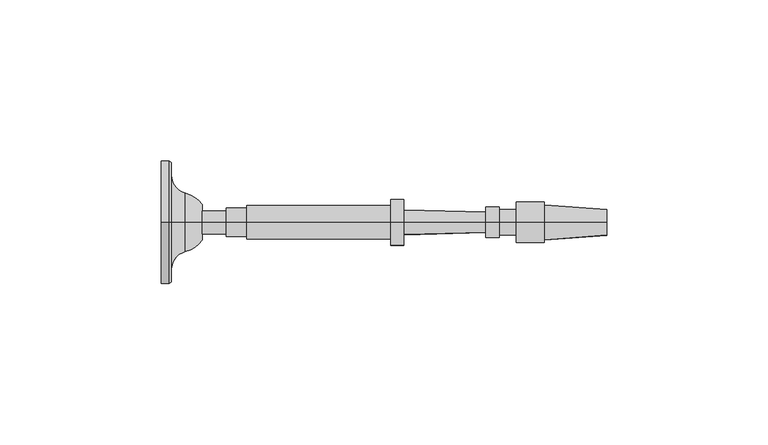
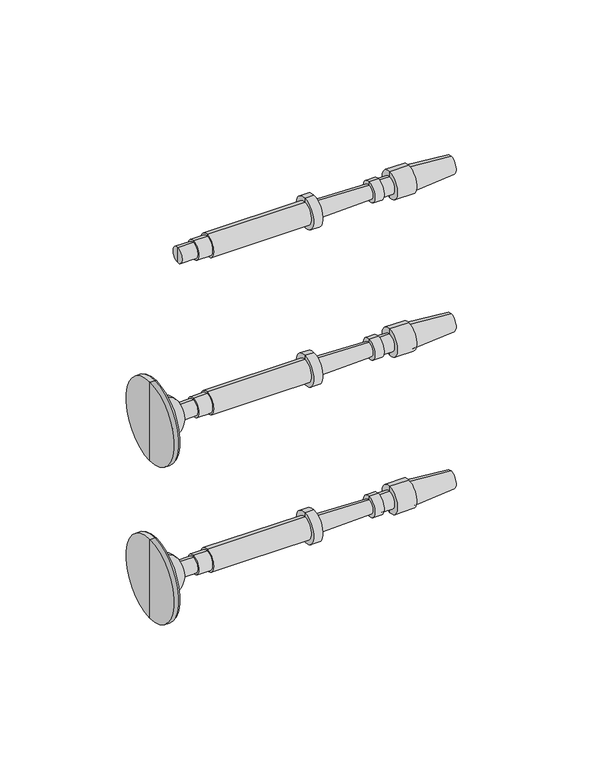
"""IFC4 building model written with IfcOpenShell, lengths in millimetres: railing geometry."""

from ifc_helpers import new_model, si_unit, point, frame, origin, place, context, project, spatial, polyline, circle_curve, ellipse_curve, trimmed, source, transform, mapped, element, save
from ifc_brep_helpers import plane_surface, cylinder_surface, revolved_surface, advanced_brep


def railing_faee88ab(model_context):
    return source(origin(), model_context, "Body", "AdvancedBrep", [
        advanced_brep(
        [(1822.6288256, 16706.2866843, 33140.0282881), (1822.6288256, 16706.2866843, 33147.1720381), (1822.6288256, 16706.2866843, 33143.6001631), (1947.5727148, 16706.2866843, 33143.6001631), (1947.8683792, 16706.2866843, 33147.6246235), (1947.8683792, 16706.2866843, 33139.5757028), (1928.5250152, 16706.2866843, 33149.045719), (1928.5250152, 16706.2866843, 33138.1546072), (1928.5250152, 16706.2866843, 33149.9386877), (1928.5250152, 16706.2866843, 33137.2616385), (1919.892984, 16706.2866843, 33149.9386877), (1919.892984, 16706.2866843, 33137.2616385), (1919.892984, 16706.2866843, 33147.5574377), (1919.892984, 16706.2866843, 33139.6428885), (1914.5351715, 16706.2866843, 33147.5574377), (1914.5351715, 16706.2866843, 33139.6428885), (1914.5351715, 16706.2866843, 33148.3511877), (1914.5351715, 16706.2866843, 33138.8491385), (1910.4672027, 16706.2866843, 33148.3511877), (1910.4672027, 16706.2866843, 33138.8491385), (1910.4231156, 16706.2866843, 33146.7643), (1910.4231156, 16706.2866843, 33140.4360262), (1885.0329124, 16706.2866843, 33147.4696944), (1885.0329124, 16706.2866843, 33139.7306319), (1885.0329124, 16706.2866843, 33150.7439131), (1885.0329124, 16706.2866843, 33136.4564131), (1881.0641624, 16706.2866843, 33150.7439131), (1881.0641624, 16706.2866843, 33136.4564131), (1881.0641624, 16706.2866843, 33148.7595381), (1881.0641624, 16706.2866843, 33138.4407881), (1836.3165061, 16706.2866843, 33148.7595381), (1836.3165061, 16706.2866843, 33138.4407881), (1836.3165061, 16706.2866843, 33147.9657881), (1836.3165061, 16706.2866843, 33139.2345381), (1829.9665061, 16706.2866843, 33147.9657881), (1829.9665061, 16706.2866843, 33139.2345381), (1829.9665061, 16706.2866843, 33147.1720381), (1829.9665061, 16706.2866843, 33140.0282881)],
        [
            (0, 1, circle_curve(frame((1822.6288256, 16706.2866843, 33143.6001631), z_axis=(-1.0, 0.0, 0.0), x_axis=(0.0, 0.0, 1.0000000000000002)), 3.571875)),
            (1, 2),
            (2, 0),
            (1, 0, circle_curve(frame((1822.6288256, 16706.2866843, 33143.6001631), z_axis=(-1.0, 0.0, 0.0), x_axis=(0.0, 0.0, 1.0000000000000002)), 3.571875)),
            (3, 4),
            (4, 5, circle_curve(frame((1947.8683792, 16706.2866843, 33143.6001631), z_axis=(1.0, 0.0, 0.0), x_axis=(0.0, 0.0, 1.0000000000000002)), 4.0244604)),
            (5, 3),
            (5, 4, circle_curve(frame((1947.8683792, 16706.2866843, 33143.6001631), z_axis=(1.0, 0.0, 0.0), x_axis=(0.0, 0.0, 1.0000000000000002)), 4.0244604)),
            (4, 6),
            (6, 7, circle_curve(frame((1928.5250152, 16706.2866843, 33143.6001631), z_axis=(1.0, 0.0, 0.0), x_axis=(0.0, 0.0, 1.0000000000000002)), 5.4455559)),
            (7, 5),
            (7, 6, circle_curve(frame((1928.5250152, 16706.2866843, 33143.6001631), z_axis=(1.0, 0.0, 0.0), x_axis=(0.0, 0.0, 1.0000000000000002)), 5.4455559)),
            (6, 8),
            (8, 9, circle_curve(frame((1928.5250152, 16706.2866843, 33143.6001631), z_axis=(1.0, 0.0, 0.0), x_axis=(0.0, 0.0, 1.0000000000000002)), 6.3385246)),
            (9, 7),
            (9, 8, circle_curve(frame((1928.5250152, 16706.2866843, 33143.6001631), z_axis=(1.0, 0.0, 0.0), x_axis=(0.0, 0.0, 1.0000000000000002)), 6.3385246)),
            (8, 10),
            (10, 11, circle_curve(frame((1919.892984, 16706.2866843, 33143.6001631), z_axis=(1.0, 0.0, 0.0), x_axis=(0.0, 0.0, 1.0000000000000002)), 6.3385246)),
            (11, 9),
            (11, 10, circle_curve(frame((1919.892984, 16706.2866843, 33143.6001631), z_axis=(1.0, 0.0, 0.0), x_axis=(0.0, 0.0, 1.0000000000000002)), 6.3385246)),
            (10, 12),
            (12, 13, circle_curve(frame((1919.892984, 16706.2866843, 33143.6001631), z_axis=(1.0, 0.0, 0.0), x_axis=(0.0, 0.0, 1.0000000000000002)), 3.9572746)),
            (13, 11),
            (13, 12, circle_curve(frame((1919.892984, 16706.2866843, 33143.6001631), z_axis=(1.0, 0.0, 0.0), x_axis=(0.0, 0.0, 1.0000000000000002)), 3.9572746)),
            (12, 14),
            (14, 15, circle_curve(frame((1914.5351715, 16706.2866843, 33143.6001631), z_axis=(1.0, 0.0, 0.0), x_axis=(0.0, 0.0, 1.0000000000000002)), 3.9572746)),
            (15, 13),
            (15, 14, circle_curve(frame((1914.5351715, 16706.2866843, 33143.6001631), z_axis=(1.0, 0.0, 0.0), x_axis=(0.0, 0.0, 1.0000000000000002)), 3.9572746)),
            (14, 16),
            (16, 17, circle_curve(frame((1914.5351715, 16706.2866843, 33143.6001631), z_axis=(1.0, 0.0, 0.0), x_axis=(0.0, 0.0, 1.0000000000000002)), 4.7510246)),
            (17, 15),
            (17, 16, circle_curve(frame((1914.5351715, 16706.2866843, 33143.6001631), z_axis=(1.0, 0.0, 0.0), x_axis=(0.0, 0.0, 1.0000000000000002)), 4.7510246)),
            (16, 18),
            (18, 19, circle_curve(frame((1910.4672027, 16706.2866843, 33143.6001631), z_axis=(1.0, 0.0, 0.0), x_axis=(0.0, 0.0, 1.0000000000000002)), 4.7510246)),
            (19, 17),
            (19, 18, circle_curve(frame((1910.4672027, 16706.2866843, 33143.6001631), z_axis=(1.0, 0.0, 0.0), x_axis=(0.0, 0.0, 1.0000000000000002)), 4.7510246)),
            (18, 20),
            (20, 21, circle_curve(frame((1910.4231156, 16706.2866843, 33143.6001631), z_axis=(1.0, 0.0, 0.0), x_axis=(0.0, 0.0, 1.0000000000000002)), 3.1641369)),
            (21, 19),
            (21, 20, circle_curve(frame((1910.4231156, 16706.2866843, 33143.6001631), z_axis=(1.0, 0.0, 0.0), x_axis=(0.0, 0.0, 1.0000000000000002)), 3.1641369)),
            (20, 22),
            (22, 23, circle_curve(frame((1885.0329124, 16706.2866843, 33143.6001631), z_axis=(1.0, 0.0, 0.0), x_axis=(0.0, 0.0, 1.0000000000000002)), 3.8695313)),
            (23, 21),
            (23, 22, circle_curve(frame((1885.0329124, 16706.2866843, 33143.6001631), z_axis=(1.0, 0.0, 0.0), x_axis=(0.0, 0.0, 1.0000000000000002)), 3.8695313)),
            (22, 24),
            (24, 25, circle_curve(frame((1885.0329124, 16706.2866843, 33143.6001631), z_axis=(1.0, 0.0, 0.0), x_axis=(0.0, 0.0, 1.0000000000000002)), 7.14375)),
            (25, 23),
            (25, 24, circle_curve(frame((1885.0329124, 16706.2866843, 33143.6001631), z_axis=(1.0, 0.0, 0.0), x_axis=(0.0, 0.0, 1.0000000000000002)), 7.14375)),
            (24, 26),
            (26, 27, circle_curve(frame((1881.0641624, 16706.2866843, 33143.6001631), z_axis=(1.0, 0.0, 0.0), x_axis=(0.0, 0.0, 1.0000000000000002)), 7.14375)),
            (27, 25),
            (27, 26, circle_curve(frame((1881.0641624, 16706.2866843, 33143.6001631), z_axis=(1.0, 0.0, 0.0), x_axis=(0.0, 0.0, 1.0000000000000002)), 7.14375)),
            (26, 28),
            (28, 29, circle_curve(frame((1881.0641624, 16706.2866843, 33143.6001631), z_axis=(1.0, 0.0, 0.0), x_axis=(0.0, 0.0, 1.0000000000000002)), 5.159375)),
            (29, 27),
            (29, 28, circle_curve(frame((1881.0641624, 16706.2866843, 33143.6001631), z_axis=(1.0, 0.0, 0.0), x_axis=(0.0, 0.0, 1.0000000000000002)), 5.159375)),
            (28, 30),
            (30, 31, circle_curve(frame((1836.3165061, 16706.2866843, 33143.6001631), z_axis=(1.0, 0.0, 0.0), x_axis=(0.0, 0.0, 1.0000000000000002)), 5.159375)),
            (31, 29),
            (31, 30, circle_curve(frame((1836.3165061, 16706.2866843, 33143.6001631), z_axis=(1.0, 0.0, 0.0), x_axis=(0.0, 0.0, 1.0000000000000002)), 5.159375)),
            (30, 32),
            (32, 33, circle_curve(frame((1836.3165061, 16706.2866843, 33143.6001631), z_axis=(1.0, 0.0, 0.0), x_axis=(0.0, 0.0, 1.0000000000000002)), 4.365625)),
            (33, 31),
            (33, 32, circle_curve(frame((1836.3165061, 16706.2866843, 33143.6001631), z_axis=(1.0, 0.0, 0.0), x_axis=(0.0, 0.0, 1.0000000000000002)), 4.365625)),
            (32, 34),
            (34, 35, circle_curve(frame((1829.9665061, 16706.2866843, 33143.6001631), z_axis=(1.0, 0.0, 0.0), x_axis=(0.0, 0.0, 1.0000000000000002)), 4.365625)),
            (35, 33),
            (35, 34, circle_curve(frame((1829.9665061, 16706.2866843, 33143.6001631), z_axis=(1.0, 0.0, 0.0), x_axis=(0.0, 0.0, 1.0000000000000002)), 4.365625)),
            (34, 36),
            (36, 37, circle_curve(frame((1829.9665061, 16706.2866843, 33143.6001631), z_axis=(1.0, 0.0, 0.0), x_axis=(0.0, 0.0, 1.0000000000000002)), 3.571875)),
            (37, 35),
            (37, 36, circle_curve(frame((1829.9665061, 16706.2866843, 33143.6001631), z_axis=(1.0, 0.0, 0.0), x_axis=(0.0, 0.0, 1.0000000000000002)), 3.571875)),
            (36, 1),
            (0, 37),
        ],
        [
            plane_surface(frame((1822.6288256, 16706.2866843, 33143.6001631), z_axis=(-1.0, 0.0, 0.0), x_axis=(0.0, 0.0, 1.0))),
            revolved_surface(polyline([(1947.8683792, 16706.2866843, 33147.6246235), (1947.5727148, 16706.2866843, 33143.6001631)]), (1947.5727148, 16706.2866843, 33143.6001631), (1.0, 0.0, 0.0)),
            revolved_surface(polyline([(1928.5250152, 16706.2866843, 33149.045719), (1947.8683792, 16706.2866843, 33147.6246235)]), (1947.5727148, 16706.2866843, 33143.6001631), (1.0, 0.0, 0.0)),
            plane_surface(frame((1928.5250152, 16706.2866843, 33143.6001631), z_axis=(1.0, 0.0, 0.0), x_axis=(0.0, 0.0, 1.0))),
            cylinder_surface(frame((1947.5727148, 16706.2866843, 33143.6001631), z_axis=(1.0, 0.0, 0.0), x_axis=(0.0, 0.0, 1.0000000000000002)), 6.3385246),
            plane_surface(frame((1919.892984, 16706.2866843, 33143.6001631), z_axis=(-1.0, 0.0, 0.0), x_axis=(0.0, 0.0, 1.0))),
            cylinder_surface(frame((1947.5727148, 16706.2866843, 33143.6001631), z_axis=(1.0, 0.0, 0.0), x_axis=(0.0, 0.0, 1.0000000000000002)), 3.9572746),
            plane_surface(frame((1914.5351715, 16706.2866843, 33143.6001631), z_axis=(1.0, 0.0, 0.0), x_axis=(0.0, 0.0, 1.0))),
            cylinder_surface(frame((1947.5727148, 16706.2866843, 33143.6001631), z_axis=(1.0, 0.0, 0.0), x_axis=(0.0, 0.0, 1.0000000000000002)), 4.7510246),
            plane_surface(frame((1910.4231156, 16706.2866843, 33143.6001631), z_axis=(-1.0, 0.0, 0.0), x_axis=(0.0, 0.0, 1.0))),
            revolved_surface(polyline([(1885.0329124, 16706.2866843, 33147.4696944), (1910.4231156, 16706.2866843, 33146.7643)]), (1947.5727148, 16706.2866843, 33143.6001631), (1.0, 0.0, 0.0)),
            plane_surface(frame((1885.0329124, 16706.2866843, 33143.6001631), z_axis=(1.0, 0.0, 0.0), x_axis=(0.0, 0.0, 1.0))),
            cylinder_surface(frame((1947.5727148, 16706.2866843, 33143.6001631), z_axis=(1.0, 0.0, 0.0), x_axis=(0.0, 0.0, 1.0000000000000002)), 7.14375),
            plane_surface(frame((1881.0641624, 16706.2866843, 33143.6001631), z_axis=(-1.0, 0.0, 0.0), x_axis=(0.0, 0.0, 1.0))),
            cylinder_surface(frame((1947.5727148, 16706.2866843, 33143.6001631), z_axis=(1.0, 0.0, 0.0), x_axis=(0.0, 0.0, 1.0000000000000002)), 5.159375),
            plane_surface(frame((1836.3165061, 16706.2866843, 33143.6001631), z_axis=(-1.0, 0.0, 0.0), x_axis=(0.0, 0.0, 1.0))),
            cylinder_surface(frame((1947.5727148, 16706.2866843, 33143.6001631), z_axis=(1.0, 0.0, 0.0), x_axis=(0.0, 0.0, 1.0000000000000002)), 4.365625),
            plane_surface(frame((1829.9665061, 16706.2866843, 33143.6001631), z_axis=(-1.0, 0.0, 0.0), x_axis=(0.0, 0.0, 1.0))),
            cylinder_surface(frame((1947.5727148, 16706.2866843, 33143.6001631), z_axis=(1.0, 0.0, 0.0), x_axis=(0.0, 0.0, 1.0000000000000002)), 3.571875),
        ],
        [
            (0, [[1, 2, 3]]),
            (0, [[4, -3, -2]]),
            (1, [[5, 6, 7]]),
            (1, [[-7, 8, -5]]),
            (2, [[-6, 9, 10, 11]]),
            (2, [[-8, -11, 12, -9]]),
            (3, [[-10, 13, 14, 15]]),
            (3, [[-12, -15, 16, -13]]),
            (4, [[-14, 17, 18, 19]]),
            (4, [[-16, -19, 20, -17]]),
            (5, [[-18, 21, 22, 23]]),
            (5, [[-20, -23, 24, -21]]),
            (6, [[-22, 25, 26, 27]]),
            (6, [[-24, -27, 28, -25]]),
            (7, [[-26, 29, 30, 31]]),
            (7, [[-28, -31, 32, -29]]),
            (8, [[-30, 33, 34, 35]]),
            (8, [[-32, -35, 36, -33]]),
            (9, [[-34, 37, 38, 39]]),
            (9, [[-36, -39, 40, -37]]),
            (10, [[-38, 41, 42, 43]]),
            (10, [[-40, -43, 44, -41]]),
            (11, [[-42, 45, 46, 47]]),
            (11, [[-44, -47, 48, -45]]),
            (12, [[-46, 49, 50, 51]]),
            (12, [[-48, -51, 52, -49]]),
            (13, [[-50, 53, 54, 55]]),
            (13, [[-52, -55, 56, -53]]),
            (14, [[-54, 57, 58, 59]]),
            (14, [[-56, -59, 60, -57]]),
            (15, [[-58, 61, 62, 63]]),
            (15, [[-60, -63, 64, -61]]),
            (16, [[-62, 65, 66, 67]]),
            (16, [[-64, -67, 68, -65]]),
            (17, [[-66, 69, 70, 71]]),
            (17, [[-68, -71, 72, -69]]),
            (18, [[-70, 73, -1, 74]]),
            (18, [[-72, -74, -4, -73]]),
        ],
    ),
        advanced_brep(
        [(1809.936189, 16706.2866843, 33067.4001631), (1809.936189, 16706.2866843, 33048.3501631), (1809.936189, 16706.2866843, 33086.4501631), (1822.6288256, 16706.2866843, 33061.8769785), (1822.6288256, 16706.2866843, 33067.4001631), (1822.6288256, 16706.2866843, 33072.9233478), (1817.3527292, 16706.2866843, 33058.2720381), (1817.3527292, 16706.2866843, 33076.5282881), (1812.9871042, 16706.2866843, 33052.6458254), (1812.9871042, 16706.2866843, 33082.1545009), (1812.9871042, 16706.2866843, 33048.7762941), (1812.9871042, 16706.2866843, 33086.0240321), (1812.317439, 16706.2866843, 33048.3501631), (1812.317439, 16706.2866843, 33086.4501631)],
        [
            (0, 1),
            (1, 2, circle_curve(frame((1809.936189, 16706.2866843, 33067.4001631), z_axis=(-1.0, 0.0, 0.0), x_axis=(0.0, 0.0, 1.0)), 19.05)),
            (2, 0),
            (2, 1, circle_curve(frame((1809.936189, 16706.2866843, 33067.4001631), z_axis=(-1.0, 0.0, 0.0), x_axis=(0.0, 0.0, 1.0)), 19.05)),
            (3, 4),
            (4, 5),
            (5, 3, circle_curve(frame((1822.6288256, 16706.2866843, 33067.4001631), z_axis=(1.0, 0.0, 0.0), x_axis=(0.0, 0.0, 1.0)), 5.5231846)),
            (3, 5, circle_curve(frame((1822.6288256, 16706.2866843, 33067.4001631), z_axis=(1.0, 0.0, 0.0), x_axis=(0.0, 0.0, 1.0)), 5.5231846)),
            (6, 3, circle_curve(frame((1815.0283205, 16706.2866843, 33067.3374304), z_axis=(0.0, -1.0, 0.0), x_axis=(1.0, 0.0, 0.0)), 9.3586438)),
            (5, 7, circle_curve(frame((1815.0283205, 16706.2866843, 33067.4628958), z_axis=(0.0, -1.0, 0.0), x_axis=(1.0, 0.0, 0.0)), 9.3586438)),
            (7, 6, circle_curve(frame((1817.3527292, 16706.2866843, 33067.4001631), z_axis=(1.0, 0.0, 0.0), x_axis=(0.0, 0.0, 1.0)), 9.128125)),
            (6, 7, circle_curve(frame((1817.3527292, 16706.2866843, 33067.4001631), z_axis=(1.0, 0.0, 0.0), x_axis=(0.0, 0.0, 1.0)), 9.128125)),
            (8, 6, circle_curve(frame((1818.7953162, 16706.2866843, 33052.6458254), z_axis=(0.0, 1.0, 0.0), x_axis=(1.0, 0.0, 0.0)), 5.8082121)),
            (7, 9, circle_curve(frame((1818.7953162, 16706.2866843, 33082.1545009), z_axis=(0.0, 1.0, 0.0), x_axis=(1.0, 0.0, 0.0)), 5.8082121)),
            (9, 8, circle_curve(frame((1812.9871042, 16706.2866843, 33067.4001631), z_axis=(1.0, 0.0, 0.0), x_axis=(0.0, 0.0, 1.0)), 14.7543378)),
            (8, 9, circle_curve(frame((1812.9871042, 16706.2866843, 33067.4001631), z_axis=(1.0, 0.0, 0.0), x_axis=(0.0, 0.0, 1.0)), 14.7543378)),
            (10, 8),
            (9, 11),
            (11, 10, circle_curve(frame((1812.9871042, 16706.2866843, 33067.4001631), z_axis=(1.0, 0.0, 0.0), x_axis=(0.0, 0.0, 1.0)), 18.623869)),
            (10, 11, circle_curve(frame((1812.9871042, 16706.2866843, 33067.4001631), z_axis=(1.0, 0.0, 0.0), x_axis=(0.0, 0.0, 1.0)), 18.623869)),
            (12, 10),
            (11, 13),
            (13, 12, circle_curve(frame((1812.317439, 16706.2866843, 33067.4001631), z_axis=(1.0, 0.0, 0.0), x_axis=(0.0, 0.0, 1.0)), 19.05)),
            (12, 13, circle_curve(frame((1812.317439, 16706.2866843, 33067.4001631), z_axis=(1.0, 0.0, 0.0), x_axis=(0.0, 0.0, 1.0)), 19.05)),
            (1, 12),
            (13, 2),
        ],
        [
            plane_surface(frame((1809.936189, 16706.2866843, 33067.4001631), z_axis=(-1.0, 0.0, 0.0), x_axis=(0.0, 0.0, 1.0))),
            plane_surface(frame((1822.6288256, 16706.2866843, 33067.4001631), z_axis=(1.0, 0.0, 0.0), x_axis=(0.0, 0.0, 1.0))),
            revolved_surface(trimmed(ellipse_curve(frame((1815.0283205, 16706.2866843, 33067.4628958), z_axis=(0.0, -1.0, 0.0), x_axis=(1.0, 0.0, 0.0)), 9.3586438, 9.3586438), [point((1822.6288256, 16706.2866843, 33072.9233478))], [point((1817.3527292, 16706.2866843, 33076.5282881))], True, "CARTESIAN"), (1809.936189, 16706.2866843, 33067.4001631), (-1.0, 0.0, 0.0)),
            revolved_surface(trimmed(ellipse_curve(frame((1818.7953162, 16706.2866843, 33082.1545009), z_axis=(0.0, 1.0, 0.0), x_axis=(1.0, 0.0, 0.0)), 5.8082121, 5.8082121), [point((1817.3527292, 16706.2866843, 33076.5282881))], [point((1812.9871042, 16706.2866843, 33082.1545009))], True, "CARTESIAN"), (1809.936189, 16706.2866843, 33067.4001631), (-1.0, 0.0, 0.0)),
            plane_surface(frame((1812.9871042, 16706.2866843, 33067.4001631), z_axis=(1.0, 0.0, 0.0), x_axis=(0.0, 0.0, 1.0))),
            revolved_surface(polyline([(1812.9871042, 16706.2866843, 33086.0240321), (1812.317439, 16706.2866843, 33086.4501631)]), (1809.936189, 16706.2866843, 33067.4001631), (-1.0, 0.0, 0.0)),
            cylinder_surface(frame((1809.936189, 16706.2866843, 33067.4001631), z_axis=(-1.0, 0.0, 0.0), x_axis=(0.0, 0.0, 1.0)), 19.05),
        ],
        [
            (0, [[1, 2, 3]]),
            (0, [[-3, 4, -1]]),
            (1, [[5, 6, 7]]),
            (1, [[-6, -5, 8]]),
            (2, [[9, -7, 10, 11]]),
            (2, [[-10, -8, -9, 12]]),
            (3, [[13, -11, 14, 15]]),
            (3, [[-14, -12, -13, 16]]),
            (4, [[17, -15, 18, 19]]),
            (4, [[-18, -16, -17, 20]]),
            (5, [[21, -19, 22, 23]]),
            (5, [[-22, -20, -21, 24]]),
            (6, [[25, -23, 26, -2]]),
            (6, [[-26, -24, -25, -4]]),
        ],
    ),
        advanced_brep(
        [(1822.6288256, 16706.2866843, 33063.8282881), (1822.6288256, 16706.2866843, 33070.9720381), (1822.6288256, 16706.2866843, 33067.4001631), (1947.5727148, 16706.2866843, 33067.4001631), (1947.8683792, 16706.2866843, 33071.4246235), (1947.8683792, 16706.2866843, 33063.3757028), (1928.5250152, 16706.2866843, 33072.845719), (1928.5250152, 16706.2866843, 33061.9546072), (1928.5250152, 16706.2866843, 33073.7386877), (1928.5250152, 16706.2866843, 33061.0616385), (1919.892984, 16706.2866843, 33073.7386877), (1919.892984, 16706.2866843, 33061.0616385), (1919.892984, 16706.2866843, 33071.3574377), (1919.892984, 16706.2866843, 33063.4428885), (1914.5351715, 16706.2866843, 33071.3574377), (1914.5351715, 16706.2866843, 33063.4428885), (1914.5351715, 16706.2866843, 33072.1511877), (1914.5351715, 16706.2866843, 33062.6491385), (1910.4672027, 16706.2866843, 33072.1511877), (1910.4672027, 16706.2866843, 33062.6491385), (1910.4231156, 16706.2866843, 33070.5643), (1910.4231156, 16706.2866843, 33064.2360262), (1885.0329124, 16706.2866843, 33071.2696944), (1885.0329124, 16706.2866843, 33063.5306319), (1885.0329124, 16706.2866843, 33074.5439131), (1885.0329124, 16706.2866843, 33060.2564131), (1881.0641624, 16706.2866843, 33074.5439131), (1881.0641624, 16706.2866843, 33060.2564131), (1881.0641624, 16706.2866843, 33072.5595381), (1881.0641624, 16706.2866843, 33062.2407881), (1836.3165061, 16706.2866843, 33072.5595381), (1836.3165061, 16706.2866843, 33062.2407881), (1836.3165061, 16706.2866843, 33071.7657881), (1836.3165061, 16706.2866843, 33063.0345381), (1829.9665061, 16706.2866843, 33071.7657881), (1829.9665061, 16706.2866843, 33063.0345381), (1829.9665061, 16706.2866843, 33070.9720381), (1829.9665061, 16706.2866843, 33063.8282881)],
        [
            (0, 1, circle_curve(frame((1822.6288256, 16706.2866843, 33067.4001631), z_axis=(-1.0, 0.0, 0.0), x_axis=(0.0, 0.0, 1.0000000000000002)), 3.571875)),
            (1, 2),
            (2, 0),
            (1, 0, circle_curve(frame((1822.6288256, 16706.2866843, 33067.4001631), z_axis=(-1.0, 0.0, 0.0), x_axis=(0.0, 0.0, 1.0000000000000002)), 3.571875)),
            (3, 4),
            (4, 5, circle_curve(frame((1947.8683792, 16706.2866843, 33067.4001631), z_axis=(1.0, 0.0, 0.0), x_axis=(0.0, 0.0, 1.0000000000000002)), 4.0244604)),
            (5, 3),
            (5, 4, circle_curve(frame((1947.8683792, 16706.2866843, 33067.4001631), z_axis=(1.0, 0.0, 0.0), x_axis=(0.0, 0.0, 1.0000000000000002)), 4.0244604)),
            (4, 6),
            (6, 7, circle_curve(frame((1928.5250152, 16706.2866843, 33067.4001631), z_axis=(1.0, 0.0, 0.0), x_axis=(0.0, 0.0, 1.0000000000000002)), 5.4455559)),
            (7, 5),
            (7, 6, circle_curve(frame((1928.5250152, 16706.2866843, 33067.4001631), z_axis=(1.0, 0.0, 0.0), x_axis=(0.0, 0.0, 1.0000000000000002)), 5.4455559)),
            (6, 8),
            (8, 9, circle_curve(frame((1928.5250152, 16706.2866843, 33067.4001631), z_axis=(1.0, 0.0, 0.0), x_axis=(0.0, 0.0, 1.0000000000000002)), 6.3385246)),
            (9, 7),
            (9, 8, circle_curve(frame((1928.5250152, 16706.2866843, 33067.4001631), z_axis=(1.0, 0.0, 0.0), x_axis=(0.0, 0.0, 1.0000000000000002)), 6.3385246)),
            (8, 10),
            (10, 11, circle_curve(frame((1919.892984, 16706.2866843, 33067.4001631), z_axis=(1.0, 0.0, 0.0), x_axis=(0.0, 0.0, 1.0000000000000002)), 6.3385246)),
            (11, 9),
            (11, 10, circle_curve(frame((1919.892984, 16706.2866843, 33067.4001631), z_axis=(1.0, 0.0, 0.0), x_axis=(0.0, 0.0, 1.0000000000000002)), 6.3385246)),
            (10, 12),
            (12, 13, circle_curve(frame((1919.892984, 16706.2866843, 33067.4001631), z_axis=(1.0, 0.0, 0.0), x_axis=(0.0, 0.0, 1.0000000000000002)), 3.9572746)),
            (13, 11),
            (13, 12, circle_curve(frame((1919.892984, 16706.2866843, 33067.4001631), z_axis=(1.0, 0.0, 0.0), x_axis=(0.0, 0.0, 1.0000000000000002)), 3.9572746)),
            (12, 14),
            (14, 15, circle_curve(frame((1914.5351715, 16706.2866843, 33067.4001631), z_axis=(1.0, 0.0, 0.0), x_axis=(0.0, 0.0, 1.0000000000000002)), 3.9572746)),
            (15, 13),
            (15, 14, circle_curve(frame((1914.5351715, 16706.2866843, 33067.4001631), z_axis=(1.0, 0.0, 0.0), x_axis=(0.0, 0.0, 1.0000000000000002)), 3.9572746)),
            (14, 16),
            (16, 17, circle_curve(frame((1914.5351715, 16706.2866843, 33067.4001631), z_axis=(1.0, 0.0, 0.0), x_axis=(0.0, 0.0, 1.0000000000000002)), 4.7510246)),
            (17, 15),
            (17, 16, circle_curve(frame((1914.5351715, 16706.2866843, 33067.4001631), z_axis=(1.0, 0.0, 0.0), x_axis=(0.0, 0.0, 1.0000000000000002)), 4.7510246)),
            (16, 18),
            (18, 19, circle_curve(frame((1910.4672027, 16706.2866843, 33067.4001631), z_axis=(1.0, 0.0, 0.0), x_axis=(0.0, 0.0, 1.0000000000000002)), 4.7510246)),
            (19, 17),
            (19, 18, circle_curve(frame((1910.4672027, 16706.2866843, 33067.4001631), z_axis=(1.0, 0.0, 0.0), x_axis=(0.0, 0.0, 1.0000000000000002)), 4.7510246)),
            (18, 20),
            (20, 21, circle_curve(frame((1910.4231156, 16706.2866843, 33067.4001631), z_axis=(1.0, 0.0, 0.0), x_axis=(0.0, 0.0, 1.0000000000000002)), 3.1641369)),
            (21, 19),
            (21, 20, circle_curve(frame((1910.4231156, 16706.2866843, 33067.4001631), z_axis=(1.0, 0.0, 0.0), x_axis=(0.0, 0.0, 1.0000000000000002)), 3.1641369)),
            (20, 22),
            (22, 23, circle_curve(frame((1885.0329124, 16706.2866843, 33067.4001631), z_axis=(1.0, 0.0, 0.0), x_axis=(0.0, 0.0, 1.0000000000000002)), 3.8695313)),
            (23, 21),
            (23, 22, circle_curve(frame((1885.0329124, 16706.2866843, 33067.4001631), z_axis=(1.0, 0.0, 0.0), x_axis=(0.0, 0.0, 1.0000000000000002)), 3.8695313)),
            (22, 24),
            (24, 25, circle_curve(frame((1885.0329124, 16706.2866843, 33067.4001631), z_axis=(1.0, 0.0, 0.0), x_axis=(0.0, 0.0, 1.0000000000000002)), 7.14375)),
            (25, 23),
            (25, 24, circle_curve(frame((1885.0329124, 16706.2866843, 33067.4001631), z_axis=(1.0, 0.0, 0.0), x_axis=(0.0, 0.0, 1.0000000000000002)), 7.14375)),
            (24, 26),
            (26, 27, circle_curve(frame((1881.0641624, 16706.2866843, 33067.4001631), z_axis=(1.0, 0.0, 0.0), x_axis=(0.0, 0.0, 1.0000000000000002)), 7.14375)),
            (27, 25),
            (27, 26, circle_curve(frame((1881.0641624, 16706.2866843, 33067.4001631), z_axis=(1.0, 0.0, 0.0), x_axis=(0.0, 0.0, 1.0000000000000002)), 7.14375)),
            (26, 28),
            (28, 29, circle_curve(frame((1881.0641624, 16706.2866843, 33067.4001631), z_axis=(1.0, 0.0, 0.0), x_axis=(0.0, 0.0, 1.0000000000000002)), 5.159375)),
            (29, 27),
            (29, 28, circle_curve(frame((1881.0641624, 16706.2866843, 33067.4001631), z_axis=(1.0, 0.0, 0.0), x_axis=(0.0, 0.0, 1.0000000000000002)), 5.159375)),
            (28, 30),
            (30, 31, circle_curve(frame((1836.3165061, 16706.2866843, 33067.4001631), z_axis=(1.0, 0.0, 0.0), x_axis=(0.0, 0.0, 1.0000000000000002)), 5.159375)),
            (31, 29),
            (31, 30, circle_curve(frame((1836.3165061, 16706.2866843, 33067.4001631), z_axis=(1.0, 0.0, 0.0), x_axis=(0.0, 0.0, 1.0000000000000002)), 5.159375)),
            (30, 32),
            (32, 33, circle_curve(frame((1836.3165061, 16706.2866843, 33067.4001631), z_axis=(1.0, 0.0, 0.0), x_axis=(0.0, 0.0, 1.0000000000000002)), 4.365625)),
            (33, 31),
            (33, 32, circle_curve(frame((1836.3165061, 16706.2866843, 33067.4001631), z_axis=(1.0, 0.0, 0.0), x_axis=(0.0, 0.0, 1.0000000000000002)), 4.365625)),
            (32, 34),
            (34, 35, circle_curve(frame((1829.9665061, 16706.2866843, 33067.4001631), z_axis=(1.0, 0.0, 0.0), x_axis=(0.0, 0.0, 1.0000000000000002)), 4.365625)),
            (35, 33),
            (35, 34, circle_curve(frame((1829.9665061, 16706.2866843, 33067.4001631), z_axis=(1.0, 0.0, 0.0), x_axis=(0.0, 0.0, 1.0000000000000002)), 4.365625)),
            (34, 36),
            (36, 37, circle_curve(frame((1829.9665061, 16706.2866843, 33067.4001631), z_axis=(1.0, 0.0, 0.0), x_axis=(0.0, 0.0, 1.0000000000000002)), 3.571875)),
            (37, 35),
            (37, 36, circle_curve(frame((1829.9665061, 16706.2866843, 33067.4001631), z_axis=(1.0, 0.0, 0.0), x_axis=(0.0, 0.0, 1.0000000000000002)), 3.571875)),
            (36, 1),
            (0, 37),
        ],
        [
            plane_surface(frame((1822.6288256, 16706.2866843, 33067.4001631), z_axis=(-1.0, 0.0, 0.0), x_axis=(0.0, 0.0, 1.0))),
            revolved_surface(polyline([(1947.8683792, 16706.2866843, 33071.4246235), (1947.5727148, 16706.2866843, 33067.4001631)]), (1947.5727148, 16706.2866843, 33067.4001631), (1.0, 0.0, 0.0)),
            revolved_surface(polyline([(1928.5250152, 16706.2866843, 33072.845719), (1947.8683792, 16706.2866843, 33071.4246235)]), (1947.5727148, 16706.2866843, 33067.4001631), (1.0, 0.0, 0.0)),
            plane_surface(frame((1928.5250152, 16706.2866843, 33067.4001631), z_axis=(1.0, 0.0, 0.0), x_axis=(0.0, 0.0, 1.0))),
            cylinder_surface(frame((1947.5727148, 16706.2866843, 33067.4001631), z_axis=(1.0, 0.0, 0.0), x_axis=(0.0, 0.0, 1.0000000000000002)), 6.3385246),
            plane_surface(frame((1919.892984, 16706.2866843, 33067.4001631), z_axis=(-1.0, 0.0, 0.0), x_axis=(0.0, 0.0, 1.0))),
            cylinder_surface(frame((1947.5727148, 16706.2866843, 33067.4001631), z_axis=(1.0, 0.0, 0.0), x_axis=(0.0, 0.0, 1.0000000000000002)), 3.9572746),
            plane_surface(frame((1914.5351715, 16706.2866843, 33067.4001631), z_axis=(1.0, 0.0, 0.0), x_axis=(0.0, 0.0, 1.0))),
            cylinder_surface(frame((1947.5727148, 16706.2866843, 33067.4001631), z_axis=(1.0, 0.0, 0.0), x_axis=(0.0, 0.0, 1.0000000000000002)), 4.7510246),
            plane_surface(frame((1910.4231156, 16706.2866843, 33067.4001631), z_axis=(-1.0, 0.0, 0.0), x_axis=(0.0, 0.0, 1.0))),
            revolved_surface(polyline([(1885.0329124, 16706.2866843, 33071.2696944), (1910.4231156, 16706.2866843, 33070.5643)]), (1947.5727148, 16706.2866843, 33067.4001631), (1.0, 0.0, 0.0)),
            plane_surface(frame((1885.0329124, 16706.2866843, 33067.4001631), z_axis=(1.0, 0.0, 0.0), x_axis=(0.0, 0.0, 1.0))),
            cylinder_surface(frame((1947.5727148, 16706.2866843, 33067.4001631), z_axis=(1.0, 0.0, 0.0), x_axis=(0.0, 0.0, 1.0000000000000002)), 7.14375),
            plane_surface(frame((1881.0641624, 16706.2866843, 33067.4001631), z_axis=(-1.0, 0.0, 0.0), x_axis=(0.0, 0.0, 1.0))),
            cylinder_surface(frame((1947.5727148, 16706.2866843, 33067.4001631), z_axis=(1.0, 0.0, 0.0), x_axis=(0.0, 0.0, 1.0000000000000002)), 5.159375),
            plane_surface(frame((1836.3165061, 16706.2866843, 33067.4001631), z_axis=(-1.0, 0.0, 0.0), x_axis=(0.0, 0.0, 1.0))),
            cylinder_surface(frame((1947.5727148, 16706.2866843, 33067.4001631), z_axis=(1.0, 0.0, 0.0), x_axis=(0.0, 0.0, 1.0000000000000002)), 4.365625),
            plane_surface(frame((1829.9665061, 16706.2866843, 33067.4001631), z_axis=(-1.0, 0.0, 0.0), x_axis=(0.0, 0.0, 1.0))),
            cylinder_surface(frame((1947.5727148, 16706.2866843, 33067.4001631), z_axis=(1.0, 0.0, 0.0), x_axis=(0.0, 0.0, 1.0000000000000002)), 3.571875),
        ],
        [
            (0, [[1, 2, 3]]),
            (0, [[4, -3, -2]]),
            (1, [[5, 6, 7]]),
            (1, [[-7, 8, -5]]),
            (2, [[-6, 9, 10, 11]]),
            (2, [[-8, -11, 12, -9]]),
            (3, [[-10, 13, 14, 15]]),
            (3, [[-12, -15, 16, -13]]),
            (4, [[-14, 17, 18, 19]]),
            (4, [[-16, -19, 20, -17]]),
            (5, [[-18, 21, 22, 23]]),
            (5, [[-20, -23, 24, -21]]),
            (6, [[-22, 25, 26, 27]]),
            (6, [[-24, -27, 28, -25]]),
            (7, [[-26, 29, 30, 31]]),
            (7, [[-28, -31, 32, -29]]),
            (8, [[-30, 33, 34, 35]]),
            (8, [[-32, -35, 36, -33]]),
            (9, [[-34, 37, 38, 39]]),
            (9, [[-36, -39, 40, -37]]),
            (10, [[-38, 41, 42, 43]]),
            (10, [[-40, -43, 44, -41]]),
            (11, [[-42, 45, 46, 47]]),
            (11, [[-44, -47, 48, -45]]),
            (12, [[-46, 49, 50, 51]]),
            (12, [[-48, -51, 52, -49]]),
            (13, [[-50, 53, 54, 55]]),
            (13, [[-52, -55, 56, -53]]),
            (14, [[-54, 57, 58, 59]]),
            (14, [[-56, -59, 60, -57]]),
            (15, [[-58, 61, 62, 63]]),
            (15, [[-60, -63, 64, -61]]),
            (16, [[-62, 65, 66, 67]]),
            (16, [[-64, -67, 68, -65]]),
            (17, [[-66, 69, 70, 71]]),
            (17, [[-68, -71, 72, -69]]),
            (18, [[-70, 73, -1, 74]]),
            (18, [[-72, -74, -4, -73]]),
        ],
    ),
        advanced_brep(
        [(1809.936189, 16706.2866843, 32991.2001631), (1809.936189, 16706.2866843, 32972.1501631), (1809.936189, 16706.2866843, 33010.2501631), (1822.6288256, 16706.2866843, 32985.6769785), (1822.6288256, 16706.2866843, 32991.2001631), (1822.6288256, 16706.2866843, 32996.7233478), (1817.3527292, 16706.2866843, 32982.0720381), (1817.3527292, 16706.2866843, 33000.3282881), (1812.9871042, 16706.2866843, 32976.4458254), (1812.9871042, 16706.2866843, 33005.9545009), (1812.9871042, 16706.2866843, 32972.5762941), (1812.9871042, 16706.2866843, 33009.8240321), (1812.317439, 16706.2866843, 32972.1501631), (1812.317439, 16706.2866843, 33010.2501631)],
        [
            (0, 1),
            (1, 2, circle_curve(frame((1809.936189, 16706.2866843, 32991.2001631), z_axis=(-1.0, 0.0, 0.0), x_axis=(0.0, 0.0, 1.0)), 19.05)),
            (2, 0),
            (2, 1, circle_curve(frame((1809.936189, 16706.2866843, 32991.2001631), z_axis=(-1.0, 0.0, 0.0), x_axis=(0.0, 0.0, 1.0)), 19.05)),
            (3, 4),
            (4, 5),
            (5, 3, circle_curve(frame((1822.6288256, 16706.2866843, 32991.2001631), z_axis=(1.0, 0.0, 0.0), x_axis=(0.0, 0.0, 1.0)), 5.5231846)),
            (3, 5, circle_curve(frame((1822.6288256, 16706.2866843, 32991.2001631), z_axis=(1.0, 0.0, 0.0), x_axis=(0.0, 0.0, 1.0)), 5.5231846)),
            (6, 3, circle_curve(frame((1815.0283205, 16706.2866843, 32991.1374304), z_axis=(0.0, -1.0, 0.0), x_axis=(1.0, 0.0, 0.0)), 9.3586438)),
            (5, 7, circle_curve(frame((1815.0283205, 16706.2866843, 32991.2628958), z_axis=(0.0, -1.0, 0.0), x_axis=(1.0, 0.0, 0.0)), 9.3586438)),
            (7, 6, circle_curve(frame((1817.3527292, 16706.2866843, 32991.2001631), z_axis=(1.0, 0.0, 0.0), x_axis=(0.0, 0.0, 1.0)), 9.128125)),
            (6, 7, circle_curve(frame((1817.3527292, 16706.2866843, 32991.2001631), z_axis=(1.0, 0.0, 0.0), x_axis=(0.0, 0.0, 1.0)), 9.128125)),
            (8, 6, circle_curve(frame((1818.7953162, 16706.2866843, 32976.4458254), z_axis=(0.0, 1.0, 0.0), x_axis=(1.0, 0.0, 0.0)), 5.8082121)),
            (7, 9, circle_curve(frame((1818.7953162, 16706.2866843, 33005.9545009), z_axis=(0.0, 1.0, 0.0), x_axis=(1.0, 0.0, 0.0)), 5.8082121)),
            (9, 8, circle_curve(frame((1812.9871042, 16706.2866843, 32991.2001631), z_axis=(1.0, 0.0, 0.0), x_axis=(0.0, 0.0, 1.0)), 14.7543378)),
            (8, 9, circle_curve(frame((1812.9871042, 16706.2866843, 32991.2001631), z_axis=(1.0, 0.0, 0.0), x_axis=(0.0, 0.0, 1.0)), 14.7543378)),
            (10, 8),
            (9, 11),
            (11, 10, circle_curve(frame((1812.9871042, 16706.2866843, 32991.2001631), z_axis=(1.0, 0.0, 0.0), x_axis=(0.0, 0.0, 1.0)), 18.623869)),
            (10, 11, circle_curve(frame((1812.9871042, 16706.2866843, 32991.2001631), z_axis=(1.0, 0.0, 0.0), x_axis=(0.0, 0.0, 1.0)), 18.623869)),
            (12, 10),
            (11, 13),
            (13, 12, circle_curve(frame((1812.317439, 16706.2866843, 32991.2001631), z_axis=(1.0, 0.0, 0.0), x_axis=(0.0, 0.0, 1.0)), 19.05)),
            (12, 13, circle_curve(frame((1812.317439, 16706.2866843, 32991.2001631), z_axis=(1.0, 0.0, 0.0), x_axis=(0.0, 0.0, 1.0)), 19.05)),
            (1, 12),
            (13, 2),
        ],
        [
            plane_surface(frame((1809.936189, 16706.2866843, 32991.2001631), z_axis=(-1.0, 0.0, 0.0), x_axis=(0.0, 0.0, 1.0))),
            plane_surface(frame((1822.6288256, 16706.2866843, 32991.2001631), z_axis=(1.0, 0.0, 0.0), x_axis=(0.0, 0.0, 1.0))),
            revolved_surface(trimmed(ellipse_curve(frame((1815.0283205, 16706.2866843, 32991.2628958), z_axis=(0.0, -1.0, 0.0), x_axis=(1.0, 0.0, 0.0)), 9.3586438, 9.3586438), [point((1822.6288256, 16706.2866843, 32996.7233478))], [point((1817.3527292, 16706.2866843, 33000.3282881))], True, "CARTESIAN"), (1809.936189, 16706.2866843, 32991.2001631), (-1.0, 0.0, 0.0)),
            revolved_surface(trimmed(ellipse_curve(frame((1818.7953162, 16706.2866843, 33005.9545009), z_axis=(0.0, 1.0, 0.0), x_axis=(1.0, 0.0, 0.0)), 5.8082121, 5.8082121), [point((1817.3527292, 16706.2866843, 33000.3282881))], [point((1812.9871042, 16706.2866843, 33005.9545009))], True, "CARTESIAN"), (1809.936189, 16706.2866843, 32991.2001631), (-1.0, 0.0, 0.0)),
            plane_surface(frame((1812.9871042, 16706.2866843, 32991.2001631), z_axis=(1.0, 0.0, 0.0), x_axis=(0.0, 0.0, 1.0))),
            revolved_surface(polyline([(1812.9871042, 16706.2866843, 33009.8240321), (1812.317439, 16706.2866843, 33010.2501631)]), (1809.936189, 16706.2866843, 32991.2001631), (-1.0, 0.0, 0.0)),
            cylinder_surface(frame((1809.936189, 16706.2866843, 32991.2001631), z_axis=(-1.0, 0.0, 0.0), x_axis=(0.0, 0.0, 1.0)), 19.05),
        ],
        [
            (0, [[1, 2, 3]]),
            (0, [[-3, 4, -1]]),
            (1, [[5, 6, 7]]),
            (1, [[-6, -5, 8]]),
            (2, [[9, -7, 10, 11]]),
            (2, [[-10, -8, -9, 12]]),
            (3, [[13, -11, 14, 15]]),
            (3, [[-14, -12, -13, 16]]),
            (4, [[17, -15, 18, 19]]),
            (4, [[-18, -16, -17, 20]]),
            (5, [[21, -19, 22, 23]]),
            (5, [[-22, -20, -21, 24]]),
            (6, [[25, -23, 26, -2]]),
            (6, [[-26, -24, -25, -4]]),
        ],
    ),
        advanced_brep(
        [(1822.6288256, 16706.2866843, 32987.6282881), (1822.6288256, 16706.2866843, 32994.7720381), (1822.6288256, 16706.2866843, 32991.2001631), (1947.5727148, 16706.2866843, 32991.2001631), (1947.8683792, 16706.2866843, 32995.2246235), (1947.8683792, 16706.2866843, 32987.1757028), (1928.5250152, 16706.2866843, 32996.645719), (1928.5250152, 16706.2866843, 32985.7546072), (1928.5250152, 16706.2866843, 32997.5386877), (1928.5250152, 16706.2866843, 32984.8616385), (1919.892984, 16706.2866843, 32997.5386877), (1919.892984, 16706.2866843, 32984.8616385), (1919.892984, 16706.2866843, 32995.1574377), (1919.892984, 16706.2866843, 32987.2428885), (1914.5351715, 16706.2866843, 32995.1574377), (1914.5351715, 16706.2866843, 32987.2428885), (1914.5351715, 16706.2866843, 32995.9511877), (1914.5351715, 16706.2866843, 32986.4491385), (1910.4672027, 16706.2866843, 32995.9511877), (1910.4672027, 16706.2866843, 32986.4491385), (1910.4231156, 16706.2866843, 32994.3643), (1910.4231156, 16706.2866843, 32988.0360262), (1885.0329124, 16706.2866843, 32995.0696944), (1885.0329124, 16706.2866843, 32987.3306319), (1885.0329124, 16706.2866843, 32998.3439131), (1885.0329124, 16706.2866843, 32984.0564131), (1881.0641624, 16706.2866843, 32998.3439131), (1881.0641624, 16706.2866843, 32984.0564131), (1881.0641624, 16706.2866843, 32996.3595381), (1881.0641624, 16706.2866843, 32986.0407881), (1836.3165061, 16706.2866843, 32996.3595381), (1836.3165061, 16706.2866843, 32986.0407881), (1836.3165061, 16706.2866843, 32995.5657881), (1836.3165061, 16706.2866843, 32986.8345381), (1829.9665061, 16706.2866843, 32995.5657881), (1829.9665061, 16706.2866843, 32986.8345381), (1829.9665061, 16706.2866843, 32994.7720381), (1829.9665061, 16706.2866843, 32987.6282881)],
        [
            (0, 1, circle_curve(frame((1822.6288256, 16706.2866843, 32991.2001631), z_axis=(-1.0, 0.0, 0.0), x_axis=(0.0, 0.0, 1.0000000000000002)), 3.571875)),
            (1, 2),
            (2, 0),
            (1, 0, circle_curve(frame((1822.6288256, 16706.2866843, 32991.2001631), z_axis=(-1.0, 0.0, 0.0), x_axis=(0.0, 0.0, 1.0000000000000002)), 3.571875)),
            (3, 4),
            (4, 5, circle_curve(frame((1947.8683792, 16706.2866843, 32991.2001631), z_axis=(1.0, 0.0, 0.0), x_axis=(0.0, 0.0, 1.0000000000000002)), 4.0244604)),
            (5, 3),
            (5, 4, circle_curve(frame((1947.8683792, 16706.2866843, 32991.2001631), z_axis=(1.0, 0.0, 0.0), x_axis=(0.0, 0.0, 1.0000000000000002)), 4.0244604)),
            (4, 6),
            (6, 7, circle_curve(frame((1928.5250152, 16706.2866843, 32991.2001631), z_axis=(1.0, 0.0, 0.0), x_axis=(0.0, 0.0, 1.0000000000000002)), 5.4455559)),
            (7, 5),
            (7, 6, circle_curve(frame((1928.5250152, 16706.2866843, 32991.2001631), z_axis=(1.0, 0.0, 0.0), x_axis=(0.0, 0.0, 1.0000000000000002)), 5.4455559)),
            (6, 8),
            (8, 9, circle_curve(frame((1928.5250152, 16706.2866843, 32991.2001631), z_axis=(1.0, 0.0, 0.0), x_axis=(0.0, 0.0, 1.0000000000000002)), 6.3385246)),
            (9, 7),
            (9, 8, circle_curve(frame((1928.5250152, 16706.2866843, 32991.2001631), z_axis=(1.0, 0.0, 0.0), x_axis=(0.0, 0.0, 1.0000000000000002)), 6.3385246)),
            (8, 10),
            (10, 11, circle_curve(frame((1919.892984, 16706.2866843, 32991.2001631), z_axis=(1.0, 0.0, 0.0), x_axis=(0.0, 0.0, 1.0000000000000002)), 6.3385246)),
            (11, 9),
            (11, 10, circle_curve(frame((1919.892984, 16706.2866843, 32991.2001631), z_axis=(1.0, 0.0, 0.0), x_axis=(0.0, 0.0, 1.0000000000000002)), 6.3385246)),
            (10, 12),
            (12, 13, circle_curve(frame((1919.892984, 16706.2866843, 32991.2001631), z_axis=(1.0, 0.0, 0.0), x_axis=(0.0, 0.0, 1.0000000000000002)), 3.9572746)),
            (13, 11),
            (13, 12, circle_curve(frame((1919.892984, 16706.2866843, 32991.2001631), z_axis=(1.0, 0.0, 0.0), x_axis=(0.0, 0.0, 1.0000000000000002)), 3.9572746)),
            (12, 14),
            (14, 15, circle_curve(frame((1914.5351715, 16706.2866843, 32991.2001631), z_axis=(1.0, 0.0, 0.0), x_axis=(0.0, 0.0, 1.0000000000000002)), 3.9572746)),
            (15, 13),
            (15, 14, circle_curve(frame((1914.5351715, 16706.2866843, 32991.2001631), z_axis=(1.0, 0.0, 0.0), x_axis=(0.0, 0.0, 1.0000000000000002)), 3.9572746)),
            (14, 16),
            (16, 17, circle_curve(frame((1914.5351715, 16706.2866843, 32991.2001631), z_axis=(1.0, 0.0, 0.0), x_axis=(0.0, 0.0, 1.0000000000000002)), 4.7510246)),
            (17, 15),
            (17, 16, circle_curve(frame((1914.5351715, 16706.2866843, 32991.2001631), z_axis=(1.0, 0.0, 0.0), x_axis=(0.0, 0.0, 1.0000000000000002)), 4.7510246)),
            (16, 18),
            (18, 19, circle_curve(frame((1910.4672027, 16706.2866843, 32991.2001631), z_axis=(1.0, 0.0, 0.0), x_axis=(0.0, 0.0, 1.0000000000000002)), 4.7510246)),
            (19, 17),
            (19, 18, circle_curve(frame((1910.4672027, 16706.2866843, 32991.2001631), z_axis=(1.0, 0.0, 0.0), x_axis=(0.0, 0.0, 1.0000000000000002)), 4.7510246)),
            (18, 20),
            (20, 21, circle_curve(frame((1910.4231156, 16706.2866843, 32991.2001631), z_axis=(1.0, 0.0, 0.0), x_axis=(0.0, 0.0, 1.0000000000000002)), 3.1641369)),
            (21, 19),
            (21, 20, circle_curve(frame((1910.4231156, 16706.2866843, 32991.2001631), z_axis=(1.0, 0.0, 0.0), x_axis=(0.0, 0.0, 1.0000000000000002)), 3.1641369)),
            (20, 22),
            (22, 23, circle_curve(frame((1885.0329124, 16706.2866843, 32991.2001631), z_axis=(1.0, 0.0, 0.0), x_axis=(0.0, 0.0, 1.0000000000000002)), 3.8695313)),
            (23, 21),
            (23, 22, circle_curve(frame((1885.0329124, 16706.2866843, 32991.2001631), z_axis=(1.0, 0.0, 0.0), x_axis=(0.0, 0.0, 1.0000000000000002)), 3.8695313)),
            (22, 24),
            (24, 25, circle_curve(frame((1885.0329124, 16706.2866843, 32991.2001631), z_axis=(1.0, 0.0, 0.0), x_axis=(0.0, 0.0, 1.0000000000000002)), 7.14375)),
            (25, 23),
            (25, 24, circle_curve(frame((1885.0329124, 16706.2866843, 32991.2001631), z_axis=(1.0, 0.0, 0.0), x_axis=(0.0, 0.0, 1.0000000000000002)), 7.14375)),
            (24, 26),
            (26, 27, circle_curve(frame((1881.0641624, 16706.2866843, 32991.2001631), z_axis=(1.0, 0.0, 0.0), x_axis=(0.0, 0.0, 1.0000000000000002)), 7.14375)),
            (27, 25),
            (27, 26, circle_curve(frame((1881.0641624, 16706.2866843, 32991.2001631), z_axis=(1.0, 0.0, 0.0), x_axis=(0.0, 0.0, 1.0000000000000002)), 7.14375)),
            (26, 28),
            (28, 29, circle_curve(frame((1881.0641624, 16706.2866843, 32991.2001631), z_axis=(1.0, 0.0, 0.0), x_axis=(0.0, 0.0, 1.0000000000000002)), 5.159375)),
            (29, 27),
            (29, 28, circle_curve(frame((1881.0641624, 16706.2866843, 32991.2001631), z_axis=(1.0, 0.0, 0.0), x_axis=(0.0, 0.0, 1.0000000000000002)), 5.159375)),
            (28, 30),
            (30, 31, circle_curve(frame((1836.3165061, 16706.2866843, 32991.2001631), z_axis=(1.0, 0.0, 0.0), x_axis=(0.0, 0.0, 1.0000000000000002)), 5.159375)),
            (31, 29),
            (31, 30, circle_curve(frame((1836.3165061, 16706.2866843, 32991.2001631), z_axis=(1.0, 0.0, 0.0), x_axis=(0.0, 0.0, 1.0000000000000002)), 5.159375)),
            (30, 32),
            (32, 33, circle_curve(frame((1836.3165061, 16706.2866843, 32991.2001631), z_axis=(1.0, 0.0, 0.0), x_axis=(0.0, 0.0, 1.0000000000000002)), 4.365625)),
            (33, 31),
            (33, 32, circle_curve(frame((1836.3165061, 16706.2866843, 32991.2001631), z_axis=(1.0, 0.0, 0.0), x_axis=(0.0, 0.0, 1.0000000000000002)), 4.365625)),
            (32, 34),
            (34, 35, circle_curve(frame((1829.9665061, 16706.2866843, 32991.2001631), z_axis=(1.0, 0.0, 0.0), x_axis=(0.0, 0.0, 1.0000000000000002)), 4.365625)),
            (35, 33),
            (35, 34, circle_curve(frame((1829.9665061, 16706.2866843, 32991.2001631), z_axis=(1.0, 0.0, 0.0), x_axis=(0.0, 0.0, 1.0000000000000002)), 4.365625)),
            (34, 36),
            (36, 37, circle_curve(frame((1829.9665061, 16706.2866843, 32991.2001631), z_axis=(1.0, 0.0, 0.0), x_axis=(0.0, 0.0, 1.0000000000000002)), 3.571875)),
            (37, 35),
            (37, 36, circle_curve(frame((1829.9665061, 16706.2866843, 32991.2001631), z_axis=(1.0, 0.0, 0.0), x_axis=(0.0, 0.0, 1.0000000000000002)), 3.571875)),
            (36, 1),
            (0, 37),
        ],
        [
            plane_surface(frame((1822.6288256, 16706.2866843, 32991.2001631), z_axis=(-1.0, 0.0, 0.0), x_axis=(0.0, 0.0, 1.0))),
            revolved_surface(polyline([(1947.8683792, 16706.2866843, 32995.2246235), (1947.5727148, 16706.2866843, 32991.2001631)]), (1947.5727148, 16706.2866843, 32991.2001631), (1.0, 0.0, 0.0)),
            revolved_surface(polyline([(1928.5250152, 16706.2866843, 32996.645719), (1947.8683792, 16706.2866843, 32995.2246235)]), (1947.5727148, 16706.2866843, 32991.2001631), (1.0, 0.0, 0.0)),
            plane_surface(frame((1928.5250152, 16706.2866843, 32991.2001631), z_axis=(1.0, 0.0, 0.0), x_axis=(0.0, 0.0, 1.0))),
            cylinder_surface(frame((1947.5727148, 16706.2866843, 32991.2001631), z_axis=(1.0, 0.0, 0.0), x_axis=(0.0, 0.0, 1.0000000000000002)), 6.3385246),
            plane_surface(frame((1919.892984, 16706.2866843, 32991.2001631), z_axis=(-1.0, 0.0, 0.0), x_axis=(0.0, 0.0, 1.0))),
            cylinder_surface(frame((1947.5727148, 16706.2866843, 32991.2001631), z_axis=(1.0, 0.0, 0.0), x_axis=(0.0, 0.0, 1.0000000000000002)), 3.9572746),
            plane_surface(frame((1914.5351715, 16706.2866843, 32991.2001631), z_axis=(1.0, 0.0, 0.0), x_axis=(0.0, 0.0, 1.0))),
            cylinder_surface(frame((1947.5727148, 16706.2866843, 32991.2001631), z_axis=(1.0, 0.0, 0.0), x_axis=(0.0, 0.0, 1.0000000000000002)), 4.7510246),
            plane_surface(frame((1910.4231156, 16706.2866843, 32991.2001631), z_axis=(-1.0, 0.0, 0.0), x_axis=(0.0, 0.0, 1.0))),
            revolved_surface(polyline([(1885.0329124, 16706.2866843, 32995.0696944), (1910.4231156, 16706.2866843, 32994.3643)]), (1947.5727148, 16706.2866843, 32991.2001631), (1.0, 0.0, 0.0)),
            plane_surface(frame((1885.0329124, 16706.2866843, 32991.2001631), z_axis=(1.0, 0.0, 0.0), x_axis=(0.0, 0.0, 1.0))),
            cylinder_surface(frame((1947.5727148, 16706.2866843, 32991.2001631), z_axis=(1.0, 0.0, 0.0), x_axis=(0.0, 0.0, 1.0000000000000002)), 7.14375),
            plane_surface(frame((1881.0641624, 16706.2866843, 32991.2001631), z_axis=(-1.0, 0.0, 0.0), x_axis=(0.0, 0.0, 1.0))),
            cylinder_surface(frame((1947.5727148, 16706.2866843, 32991.2001631), z_axis=(1.0, 0.0, 0.0), x_axis=(0.0, 0.0, 1.0000000000000002)), 5.159375),
            plane_surface(frame((1836.3165061, 16706.2866843, 32991.2001631), z_axis=(-1.0, 0.0, 0.0), x_axis=(0.0, 0.0, 1.0))),
            cylinder_surface(frame((1947.5727148, 16706.2866843, 32991.2001631), z_axis=(1.0, 0.0, 0.0), x_axis=(0.0, 0.0, 1.0000000000000002)), 4.365625),
            plane_surface(frame((1829.9665061, 16706.2866843, 32991.2001631), z_axis=(-1.0, 0.0, 0.0), x_axis=(0.0, 0.0, 1.0))),
            cylinder_surface(frame((1947.5727148, 16706.2866843, 32991.2001631), z_axis=(1.0, 0.0, 0.0), x_axis=(0.0, 0.0, 1.0000000000000002)), 3.571875),
        ],
        [
            (0, [[1, 2, 3]]),
            (0, [[4, -3, -2]]),
            (1, [[5, 6, 7]]),
            (1, [[-7, 8, -5]]),
            (2, [[-6, 9, 10, 11]]),
            (2, [[-8, -11, 12, -9]]),
            (3, [[-10, 13, 14, 15]]),
            (3, [[-12, -15, 16, -13]]),
            (4, [[-14, 17, 18, 19]]),
            (4, [[-16, -19, 20, -17]]),
            (5, [[-18, 21, 22, 23]]),
            (5, [[-20, -23, 24, -21]]),
            (6, [[-22, 25, 26, 27]]),
            (6, [[-24, -27, 28, -25]]),
            (7, [[-26, 29, 30, 31]]),
            (7, [[-28, -31, 32, -29]]),
            (8, [[-30, 33, 34, 35]]),
            (8, [[-32, -35, 36, -33]]),
            (9, [[-34, 37, 38, 39]]),
            (9, [[-36, -39, 40, -37]]),
            (10, [[-38, 41, 42, 43]]),
            (10, [[-40, -43, 44, -41]]),
            (11, [[-42, 45, 46, 47]]),
            (11, [[-44, -47, 48, -45]]),
            (12, [[-46, 49, 50, 51]]),
            (12, [[-48, -51, 52, -49]]),
            (13, [[-50, 53, 54, 55]]),
            (13, [[-52, -55, 56, -53]]),
            (14, [[-54, 57, 58, 59]]),
            (14, [[-56, -59, 60, -57]]),
            (15, [[-58, 61, 62, 63]]),
            (15, [[-60, -63, 64, -61]]),
            (16, [[-62, 65, 66, 67]]),
            (16, [[-64, -67, 68, -65]]),
            (17, [[-66, 69, 70, 71]]),
            (17, [[-68, -71, 72, -69]]),
            (18, [[-70, 73, -1, 74]]),
            (18, [[-72, -74, -4, -73]]),
        ],
    ),
    ])


if __name__ == "__main__":
    model = new_model("IFC4")
    model_context = context("Model", 3, world=origin())
    ifc_project = project(units=[si_unit("LENGTHUNIT", "METRE", prefix="MILLI")], contexts=[model_context])
    site = spatial("IfcSite", under=ifc_project)
    building = spatial("IfcBuilding", under=site)
    placement = place(None, origin())
    railing_shape = railing_faee88ab(model_context)
    element("IfcRailing", 1, at=placement, inside=building, context=model_context, shape_type="MappedRepresentation", body=[
        mapped(railing_shape, transform((0.0, 0.0, 0.0), x_axis=(1.0, 0.0, 0.0), y_axis=(0.0, 1.0, 0.0), z_axis=(0.0, 0.0, 1.0))),
    ])
    save(model, "model.ifc")
